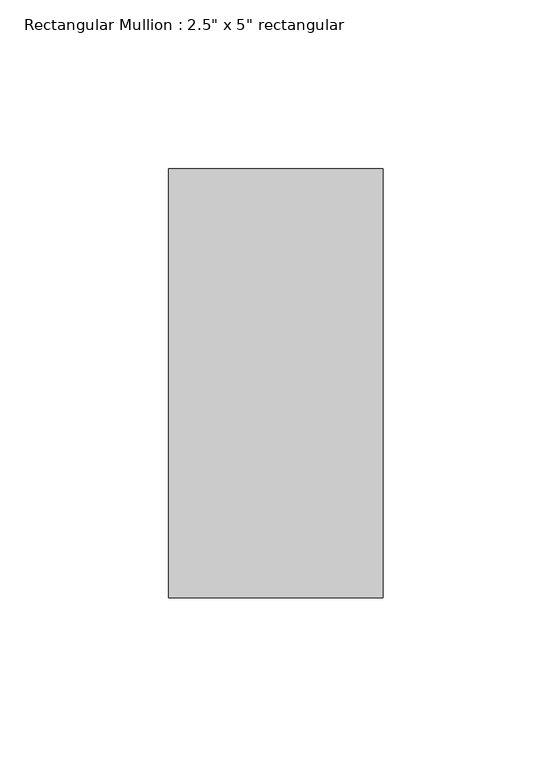
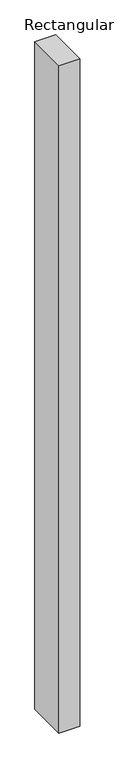
"""IFC4 building model written with IfcOpenShell, lengths in millimetres: member geometry."""

from ifc_helpers import new_model, si_unit, frame, origin, place, context, project, spatial, polyline, outline, extrude, source, transform, mapped, element, save


def member_852b9193(model_context):
    return source(origin(), model_context, "Body", "SweptSolid", [
        extrude(outline(polyline([(0.0, 63.5), (0.0, -63.5), (-63.5, -63.5), (-63.5, 63.5), (0.0, 63.5)])), frame((0.0, 0.0, -2153.4351997), z_axis=(0.0, 0.0, 1.0), x_axis=(1.0, 0.0, 0.0)), (0.0, 0.0, 1.0), 2153.4351997),
    ])


if __name__ == "__main__":
    model = new_model("IFC4")
    model_context = context("Model", 3, world=origin())
    ifc_project = project(units=[si_unit("LENGTHUNIT", "METRE", prefix="MILLI")], contexts=[model_context])
    site = spatial("IfcSite", under=ifc_project)
    building = spatial("IfcBuilding", under=site)
    placement = place(None, origin())
    member_shape = member_852b9193(model_context)
    element("IfcMember", 1, ObjectType="Rectangular Mullion : 2.5\" x 5\" rectangular", at=placement, inside=building, context=model_context, shape_type="MappedRepresentation", body=[
        mapped(member_shape, transform((0.0, 0.0, 0.0), x_axis=(1.0, 0.0, 0.0), y_axis=(0.0, 1.0, 0.0), z_axis=(0.0, 0.0, 1.0))),
    ])
    save(model, "model.ifc")
